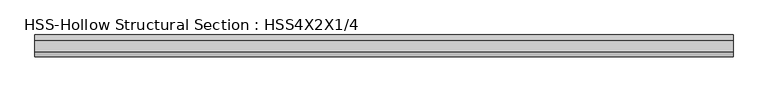
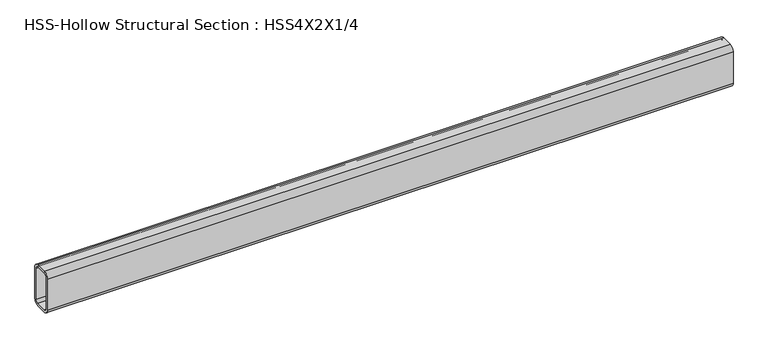
"""IFC4 building model written with IfcOpenShell, lengths in millimetres: beam geometry, HSS-Hollow Structural Section : HSS4X2X1/4."""

from ifc_helpers import new_model, si_unit, point, frame, frame_2d, origin, place, context, project, spatial, polyline, circle_curve, trimmed, segment, composite_curve, outline, extrude, source, transform, mapped, element, save


def hss_hollow_structural_section_hss4x2x1_4_d917f1f3(model_context):
    return source(origin(), model_context, "Body", "SweptSolid", [
        extrude(outline(composite_curve([segment(polyline([(25.4, 38.9636), (25.4, -38.9636)]), True, "CONTINUOUS"), segment(trimmed(circle_curve(frame_2d((13.5636, -38.9636)), 11.8364), [point((25.4, -38.9636))], [point((13.5636, -50.8))], False, "CARTESIAN"), True, "CONTINUOUS"), segment(polyline([(13.5636, -50.8), (-13.5636, -50.8)]), True, "CONTINUOUS"), segment(trimmed(circle_curve(frame_2d((-13.5636, -38.9636)), 11.8364), [point((-13.5636, -50.8))], [point((-25.4, -38.9636))], False, "CARTESIAN"), True, "CONTINUOUS"), segment(polyline([(-25.4, -38.9636), (-25.4, 38.9636)]), True, "CONTINUOUS"), segment(trimmed(circle_curve(frame_2d((-13.5636, 38.9636)), 11.8364), [point((-25.4, 38.9636))], [point((-13.5636, 50.8))], False, "CARTESIAN"), True, "CONTINUOUS"), segment(polyline([(-13.5636, 50.8), (13.5636, 50.8)]), True, "CONTINUOUS"), segment(trimmed(circle_curve(frame_2d((13.5636, 38.9636)), 11.8364), [point((13.5636, 50.8))], [point((25.4, 38.9636))], False, "CARTESIAN"), True, "CONTINUOUS")], self_intersect=False), holes=[composite_curve([segment(trimmed(circle_curve(frame_2d((-13.5636, 38.9636)), 5.9182), [point((-13.5636, 44.8818))], [point((-19.4818, 38.9636))], True, "CARTESIAN"), True, "CONTINUOUS"), segment(polyline([(-19.4818, 38.9636), (-19.4818, -38.9636)]), True, "CONTINUOUS"), segment(trimmed(circle_curve(frame_2d((-13.5636, -38.9636)), 5.9182), [point((-19.4818, -38.9636))], [point((-13.5636, -44.8818))], True, "CARTESIAN"), True, "CONTINUOUS"), segment(polyline([(-13.5636, -44.8818), (13.5636, -44.8818)]), True, "CONTINUOUS"), segment(trimmed(circle_curve(frame_2d((13.5636, -38.9636)), 5.9182), [point((13.5636, -44.8818))], [point((19.4818, -38.9636))], True, "CARTESIAN"), True, "CONTINUOUS"), segment(polyline([(19.4818, -38.9636), (19.4818, 38.9636)]), True, "CONTINUOUS"), segment(trimmed(circle_curve(frame_2d((13.5636, 38.9636)), 5.9182), [point((19.4818, 38.9636))], [point((13.5636, 44.8818))], True, "CARTESIAN"), True, "CONTINUOUS"), segment(polyline([(13.5636, 44.8818), (-13.5636, 44.8818)]), True, "CONTINUOUS")], self_intersect=False)]), frame((-810.133, 0.0, 0.0), z_axis=(1.0, 0.0, 0.0), x_axis=(0.0, 1.0, 0.0)), (0.0, 0.0, 1.0), 1620.266),
    ])


if __name__ == "__main__":
    model = new_model("IFC4")
    model_context = context("Model", 3, world=origin())
    ifc_project = project(units=[si_unit("LENGTHUNIT", "METRE", prefix="MILLI")], contexts=[model_context])
    site = spatial("IfcSite", under=ifc_project)
    building = spatial("IfcBuilding", under=site)
    placement = place(None, origin())
    hss_hollow_structural_section_hss4x2x1_4_shape = hss_hollow_structural_section_hss4x2x1_4_d917f1f3(model_context)
    element("IfcBeam", 1, ObjectType="HSS-Hollow Structural Section : HSS4X2X1/4", at=placement, inside=building, context=model_context, shape_type="MappedRepresentation", body=[
        mapped(hss_hollow_structural_section_hss4x2x1_4_shape, transform((0.0, 0.0, 0.0), x_axis=(1.0, 0.0, 0.0), y_axis=(0.0, 1.0, 0.0), z_axis=(0.0, 0.0, 1.0))),
    ])
    save(model, "model.ifc")
